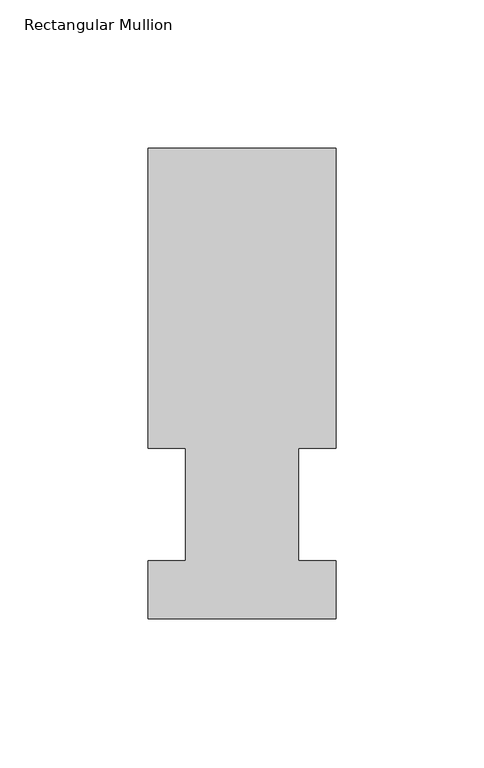
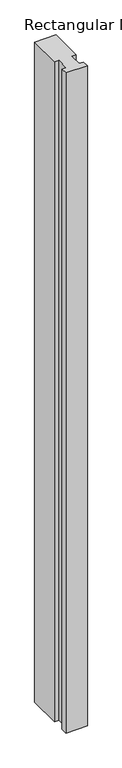
"""IFC4 building model written with IfcOpenShell, lengths in millimetres: member geometry, Rectangular Mullion."""

import ifcopenshell
import ifcopenshell.guid

model = None  # the IFC model being written
_history = None  # IfcOwnerHistory: only IFC2X3 demands one
_inside = {}  # id of a spatial element -> (the spatial element, [elements in it])
_under = {}  # id of a project, library or spatial element -> (it, [spatial elements below it])
_declared = {}  # id of a project -> (the project, [libraries it declares])
_typed = {}  # id of a type object -> (the type object, [elements of that type])
_made_of = {}  # id of a material, layer set ... -> (it, [elements and type objects made of it])


def new_model(schema):
    """Start an empty IFC model of exactly this schema.

    Asked for "IFC4X3", IfcOpenShell would pick the latest addendum, in which some entities
    have other attributes; the version numbers below select the first issue.
    IFC2X3 requires an IfcOwnerHistory on every rooted entity: one is made here for all.
    """
    global model, _history
    if schema == "IFC4X3":
        model = ifcopenshell.file(schema_version=(4, 3, 0, 0))
    else:
        model = ifcopenshell.file(schema=schema)
    _inside.clear()
    _under.clear()
    _declared.clear()
    _typed.clear()
    _made_of.clear()
    _history = None
    if model.schema == "IFC2X3":
        org = make("IfcOrganization", Name="unknown")
        user = make(
            "IfcPersonAndOrganization",
            ThePerson=make("IfcPerson", FamilyName="unknown"),
            TheOrganization=org,
        )
        app = make(
            "IfcApplication",
            ApplicationDeveloper=org,
            Version="unknown",
            ApplicationFullName="unknown",
            ApplicationIdentifier="unknown",
        )
        _history = make(
            "IfcOwnerHistory",
            OwningUser=user,
            OwningApplication=app,
            ChangeAction="ADDED",
            CreationDate=0,
        )
    return model


def make(cls, **values):
    """One entity of the class cls with the attributes given. An attribute that is None is left unset."""
    return model.create_entity(
        cls, **{name: value for name, value in values.items() if value is not None}
    )


def rooted(cls, **values):
    """An entity with a GlobalId (a new one), such as an element, a storey or a relation."""
    return make(cls, GlobalId=ifcopenshell.guid.new(), OwnerHistory=_history, **values)


def si_unit(unit_type, name, prefix=None):
    """IfcSIUnit, for example si_unit("LENGTHUNIT", "METRE", prefix="MILLI")."""
    return make("IfcSIUnit", UnitType=unit_type, Prefix=prefix, Name=name)


def assignment(units):
    """IfcUnitAssignment: the units of a project."""
    return None if units is None else make("IfcUnitAssignment", Units=units)


def point(xyz):
    """IfcCartesianPoint."""
    return None if xyz is None else make("IfcCartesianPoint", Coordinates=xyz)


def direction(xyz):
    """IfcDirection."""
    return None if xyz is None else make("IfcDirection", DirectionRatios=xyz)


def frame(location, z_axis=None, x_axis=None):
    """IfcAxis2Placement3D, a coordinate frame: its origin and axes. An axis left out is left unset."""
    return make(
        "IfcAxis2Placement3D",
        Location=point(location),
        Axis=direction(z_axis),
        RefDirection=direction(x_axis),
    )


def origin():
    """The frame at (0, 0, 0) with its axes left unset."""
    return frame((0.0, 0.0, 0.0))


def place(relative_to, where):
    """IfcLocalPlacement: puts the frame where relative to a parent placement (None: the world)."""
    return make(
        "IfcLocalPlacement", PlacementRelTo=relative_to, RelativePlacement=where
    )


def context(
    kind, dimensions, precision=None, world=None, true_north=None, identifier=None
):
    """IfcGeometricRepresentationContext, for example the 3D "Model" context."""
    return make(
        "IfcGeometricRepresentationContext",
        ContextIdentifier=identifier,
        ContextType=kind,
        CoordinateSpaceDimension=dimensions,
        Precision=precision,
        WorldCoordinateSystem=world,
        TrueNorth=true_north,
    )


def project(units=None, contexts=None):
    """IfcProject with its units and contexts."""
    return rooted(
        "IfcProject",
        Name="project",
        RepresentationContexts=contexts,
        UnitsInContext=assignment(units),
    )


def spatial(cls, under=None, at=None, **own):
    """A site, building, storey or space (cls), placed at a placement, below another one or the project."""
    s = rooted(cls, ObjectPlacement=at, **own)
    if under is not None:
        _under.setdefault(under.id(), (under, []))[1].append(s)
    return s


def polyline(points):
    """IfcPolyline through the points."""
    return make("IfcPolyline", Points=[point(p) for p in points])


def outline(outer, holes=None, kind="AREA"):
    """IfcArbitraryClosedProfileDef: a profile drawn as a closed curve; with holes, ...WithVoids."""
    if holes is None:
        return make("IfcArbitraryClosedProfileDef", ProfileType=kind, OuterCurve=outer)
    return make(
        "IfcArbitraryProfileDefWithVoids",
        ProfileType=kind,
        OuterCurve=outer,
        InnerCurves=holes,
    )


def extrude(swept, where, along, depth):
    """IfcExtrudedAreaSolid: the profile swept, set in the frame where, extruded along a direction by depth."""
    return make(
        "IfcExtrudedAreaSolid",
        SweptArea=swept,
        Position=where,
        ExtrudedDirection=direction(along),
        Depth=depth,
    )


def shape(context_of_items, identifier, shape_type, items):
    """IfcShapeRepresentation: the items that make up one representation, for example the "Body"."""
    return make(
        "IfcShapeRepresentation",
        ContextOfItems=context_of_items,
        RepresentationIdentifier=identifier,
        RepresentationType=shape_type,
        Items=items,
    )


def source(mapping_origin, context_of_items, identifier, shape_type, items):
    """IfcRepresentationMap: a shape defined once, which mapped items show again and again."""
    return make(
        "IfcRepresentationMap",
        MappingOrigin=mapping_origin,
        MappedRepresentation=shape(context_of_items, identifier, shape_type, items),
    )


def transform(
    local_origin,
    x_axis=None,
    y_axis=None,
    z_axis=None,
    scale=None,
    scale2=None,
    scale3=None,
    uniform=True,
):
    """IfcCartesianTransformationOperator3D, or its non-uniform kind. x_axis, y_axis, z_axis: its Axis1, 2, 3."""
    if uniform:
        return make(
            "IfcCartesianTransformationOperator3D",
            Axis1=direction(x_axis),
            Axis2=direction(y_axis),
            LocalOrigin=point(local_origin),
            Scale=scale,
            Axis3=direction(z_axis),
        )
    return make(
        "IfcCartesianTransformationOperator3DnonUniform",
        Axis1=direction(x_axis),
        Axis2=direction(y_axis),
        LocalOrigin=point(local_origin),
        Scale=scale,
        Axis3=direction(z_axis),
        Scale2=scale2,
        Scale3=scale3,
    )


def mapped(mapping_source, mapping_target):
    """IfcMappedItem: shows the shape of a source again, moved by a transform."""
    return make(
        "IfcMappedItem", MappingSource=mapping_source, MappingTarget=mapping_target
    )


def made_of(thing, what):
    """Note that an element or type object is made of a material, layer set ...; save() writes the relation."""
    if what is not None:
        _made_of.setdefault(what.id(), (what, []))[1].append(thing)
    return thing


def element(
    cls,
    number,
    at=None,
    inside=None,
    cuts=None,
    type_object=None,
    material=None,
    context=None,
    identifier="Body",
    shape_type=None,
    held_by="IfcProductDefinitionShape",
    body=None,
    shapes=None,
    **own,
):
    """One element of the class cls, such as IfcWall. Its Tag is "e" and its number.

    at: its placement. inside: the storey or other place that contains it. cuts: it is an
    opening in that element (IfcRelVoidsElement). A single representation is given by context,
    identifier, shape_type and body (its items); several are given by shapes. held_by: the class
    of the entity that holds the representations. save() writes the other relations.
    """
    e = rooted(cls, Tag="e%d" % number, ObjectPlacement=at, **own)
    if body is not None:
        shapes = [shape(context, identifier, shape_type, body)]
    if shapes is not None:
        e.Representation = make(held_by, Representations=shapes)
    if inside is not None:
        _inside.setdefault(inside.id(), (inside, []))[1].append(e)
    if cuts is not None:
        rooted(
            "IfcRelVoidsElement", RelatingBuildingElement=cuts, RelatedOpeningElement=e
        )
    if type_object is not None:
        _typed.setdefault(type_object.id(), (type_object, []))[1].append(e)
    return made_of(e, material)


def aggregate(whole, parts):
    """IfcRelAggregates: a whole, such as a stair, and the parts it consists of."""
    return rooted("IfcRelAggregates", RelatingObject=whole, RelatedObjects=parts)


def save(model, path):
    """Write the relations noted so far, then the file.

    IfcRelAggregates (storeys below a building ...), IfcRelContainedInSpatialStructure (elements
    in a storey), IfcRelDefinesByType, IfcRelAssociatesMaterial and IfcRelDeclares: one each for
    every whole, place, type object, material and project.
    """
    for whole, parts in _under.values():
        aggregate(whole, parts)
    for where, things in _inside.values():
        rooted(
            "IfcRelContainedInSpatialStructure",
            RelatedElements=things,
            RelatingStructure=where,
        )
    for kind, things in _typed.values():
        rooted("IfcRelDefinesByType", RelatedObjects=things, RelatingType=kind)
    for what, things in _made_of.values():
        rooted("IfcRelAssociatesMaterial", RelatedObjects=things, RelatingMaterial=what)
    for by, libraries in _declared.values():
        rooted("IfcRelDeclares", RelatingContext=by, RelatedDefinitions=libraries)
    model.write(path)


def rectangular_mullion_5c55aff9(model_context):
    return source(origin(), model_context, "Body", "SweptSolid", [
        extrude(outline(polyline([(-19.05, 57.6460937), (-31.75, 57.6460937), (-31.75, 158.8396937), (31.75, 158.8396937), (31.75, 57.6460937), (19.05, 57.6460937), (19.05, 19.5460937), (31.75, 19.5460937), (31.75, 0.0134937), (-31.75, 0.0134937), (-31.75, 19.5460937), (-19.05, 19.5460937), (-19.05, 57.6460937)])), frame((0.0, 0.0, -2057.4), z_axis=(0.0, 0.0, 1.0), x_axis=(1.0, 0.0, 0.0)), (0.0, 0.0, 1.0), 2057.4),
    ])


if __name__ == "__main__":
    model = new_model("IFC4")
    model_context = context("Model", 3, world=origin())
    ifc_project = project(units=[si_unit("LENGTHUNIT", "METRE", prefix="MILLI")], contexts=[model_context])
    site = spatial("IfcSite", under=ifc_project)
    building = spatial("IfcBuilding", under=site)
    placement = place(None, origin())
    rectangular_mullion_shape = rectangular_mullion_5c55aff9(model_context)
    element("IfcMember", 1, ObjectType="Rectangular Mullion", at=placement, inside=building, context=model_context, shape_type="MappedRepresentation", body=[
        mapped(rectangular_mullion_shape, transform((0.0, 0.0, 0.0), x_axis=(1.0, 0.0, 0.0), y_axis=(0.0, 1.0, 0.0), z_axis=(0.0, 0.0, 1.0))),
    ])
    save(model, "model.ifc")
